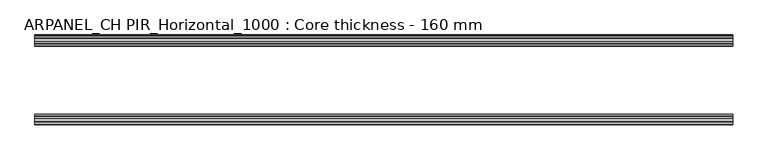
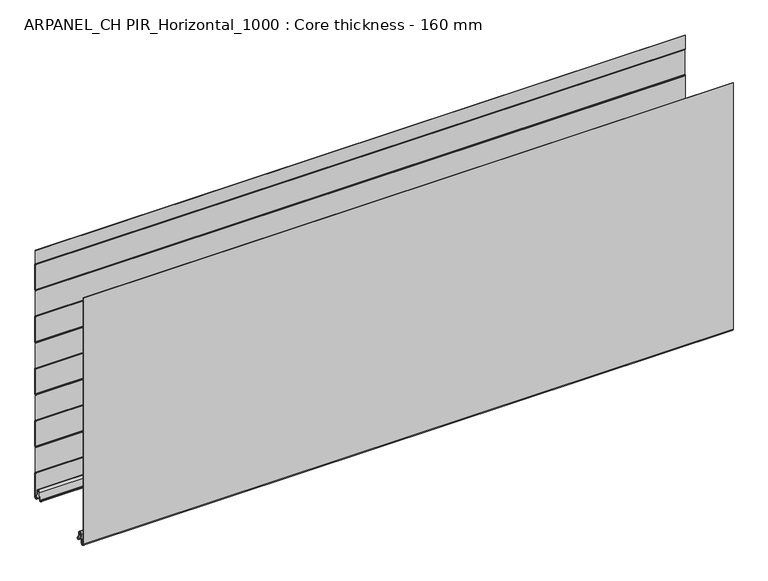
"""IFC4 building model written with IfcOpenShell, lengths in millimetres: plate geometry, ARPANEL_CH PIR_Horizontal_1000 : Core thickness - 160 mm."""

from ifc_helpers import new_model, si_unit, frame, origin, place, context, project, spatial, polyline, circle_curve, source, transform, mapped, element, save
from ifc_brep_helpers import plane_surface, cylinder_surface, revolved_surface, advanced_brep


def arpanel_ch_pir_horizontal_1000_core_thickness_160_mm_371e7742(model_context):
    return source(origin(), model_context, "Body", "AdvancedBrep", [
        advanced_brep(
        [(620.0, -1.5003051, 473.4703605), (620.0, -1.0971009, 472.0509491), (620.0, -0.8, 470.9985637), (620.0, -0.8, 420.8387805), (620.0, -1.0986697, 419.7873646), (620.0, -1.5003051, 418.3669837), (620.0, -1.5003051, 368.2072005), (620.0, -1.0971009, 366.7877891), (620.0, -0.8, 365.7354037), (620.0, -0.8, 315.5756205), (620.0, -1.0986697, 314.5242046), (620.0, -1.5003051, 313.1038237), (620.0, -1.5003051, 262.9440405), (620.0, -1.0971009, 261.5246291), (620.0, -0.8, 260.4722437), (620.0, -0.8, 210.3124605), (620.0, -1.0986697, 209.2610446), (620.0, -1.5003051, 207.8406637), (620.0, -1.5003051, 157.6808805), (620.0, -1.0971009, 156.2614691), (620.0, -0.8, 155.2090837), (620.0, -0.8, 105.0493005), (620.0, -1.0986697, 103.9978846), (620.0, -1.5003051, 102.5775037), (620.0, -1.5003051, 52.4177205), (620.0, -1.0971009, 50.9983091), (620.0, -0.8, 49.9459237), (620.0, -0.8, 3.0900682), (620.0, -5.3893281, 2.8656275), (620.0, -7.0067021, 19.3608832), (620.0, -10.8223285, 22.7899182), (620.0, -14.6379549, 19.3608832), (620.0, -16.0235822, 5.2291629), (620.0, -18.8169005, 5.365779), (620.0, -19.6169005, 5.365779), (620.0, -15.2274002, 5.1510966), (620.0, -13.8417729, 19.2828169), (620.0, -10.8223285, 21.9898782), (620.0, -7.802884, 19.2828169), (620.0, -6.18551, 2.7875612), (620.0, -0.0003051, 3.0900682), (620.0, -0.0003051, 49.9459237), (620.0, -0.4034608, 51.3652568), (620.0, -0.7003051, 52.4177205), (620.0, -0.7003051, 102.5775037), (620.0, -0.4016712, 103.6288615), (620.0, -0.0003051, 105.0493005), (620.0, -0.0003051, 155.2090837), (620.0, -0.4034608, 156.6284168), (620.0, -0.7003051, 157.6808805), (620.0, -0.7003051, 207.8406637), (620.0, -0.4016712, 208.8920215), (620.0, -0.0003051, 210.3124605), (620.0, -0.0003051, 260.4722437), (620.0, -0.4034608, 261.8915768), (620.0, -0.7003051, 262.9440405), (620.0, -0.7003051, 313.1038237), (620.0, -0.4016712, 314.1551815), (620.0, -0.0003051, 315.5756205), (620.0, -0.0003051, 365.7354037), (620.0, -0.4034608, 367.1547368), (620.0, -0.7003051, 368.2072005), (620.0, -0.7003051, 418.3669837), (620.0, -0.4016712, 419.4183415), (620.0, -0.0003051, 420.8387805), (620.0, -0.0003051, 470.9985637), (620.0, -0.4034608, 472.4178968), (620.0, -0.7003051, 473.4703605), (620.0, -0.7003051, 500.0), (620.0, -1.5003051, 500.0), (-620.0, -0.7003051, 473.4703605), (-620.0, -0.4016712, 472.4190026), (-620.0, -0.0003051, 470.9985637), (-620.0, -0.0003051, 420.8387805), (-620.0, -0.4034608, 419.4194474), (-620.0, -0.7003051, 418.3669837), (-620.0, -0.7003051, 368.2072005), (-620.0, -0.4016712, 367.1558426), (-620.0, -0.0003051, 365.7354037), (-620.0, -0.0003051, 315.5756205), (-620.0, -0.4034608, 314.1562874), (-620.0, -0.7003051, 313.1038237), (-620.0, -0.7003051, 262.9440405), (-620.0, -0.4016712, 261.8926826), (-620.0, -0.0003051, 260.4722437), (-620.0, -0.0003051, 210.3124605), (-620.0, -0.4034608, 208.8931274), (-620.0, -0.7003051, 207.8406637), (-620.0, -0.7003051, 157.6808805), (-620.0, -0.4016712, 156.6295226), (-620.0, -0.0003051, 155.2090837), (-620.0, -0.0003051, 105.0493005), (-620.0, -0.4034608, 103.6299674), (-620.0, -0.7003051, 102.5775037), (-620.0, -0.7003051, 52.4177205), (-620.0, -0.4016712, 51.3663626), (-620.0, -0.0003051, 49.9459237), (-620.0, -0.0003051, 3.0900682), (-620.0, -6.18551, 2.7875612), (-620.0, -7.802884, 19.2828169), (-620.0, -10.8223285, 21.9898782), (-620.0, -13.8417729, 19.2828169), (-620.0, -15.2274002, 5.1510966), (-620.0, -19.6169005, 5.365779), (-620.0, -18.8169005, 5.365779), (-620.0, -16.0235822, 5.2291629), (-620.0, -14.6379549, 19.3608832), (-620.0, -10.8223285, 22.7899182), (-620.0, -7.0067021, 19.3608832), (-620.0, -5.3893281, 2.8656275), (-620.0, -0.8003051, 3.0900682), (-620.0, -0.8, 49.9459237), (-620.0, -1.0986697, 50.9973395), (-620.0, -1.5003051, 52.4177205), (-620.0, -1.5003051, 102.5775037), (-620.0, -1.0971009, 103.9969151), (-620.0, -0.8, 105.0493005), (-620.0, -0.8, 155.2090837), (-620.0, -1.0986697, 156.2604995), (-620.0, -1.5003051, 157.6808805), (-620.0, -1.5003051, 207.8406637), (-620.0, -1.0971009, 209.2600751), (-620.0, -0.8, 210.3124605), (-620.0, -0.8, 260.4722437), (-620.0, -1.0986697, 261.5236595), (-620.0, -1.5003051, 262.9440405), (-620.0, -1.5003051, 313.1038237), (-620.0, -1.0971009, 314.5232351), (-620.0, -0.8, 315.5756205), (-620.0, -0.8, 365.7354037), (-620.0, -1.0986697, 366.7868195), (-620.0, -1.5003051, 368.2072005), (-620.0, -1.5003051, 418.3669837), (-620.0, -1.0971009, 419.7863951), (-620.0, -0.8, 420.8387805), (-620.0, -0.8, 470.9985637), (-620.0, -1.0986697, 472.0499795), (-620.0, -1.5003051, 473.4703605), (-620.0, -1.5003051, 500.0), (-620.0, -0.7003051, 500.0)],
        [
            (0, 1, circle_curve(frame((620.0, 1.1996949, 473.4703605), z_axis=(1.0, 0.0, 0.0), x_axis=(0.0, 0.0, -1.0)), 2.7)),
            (1, 2, circle_curve(frame((620.0, -2.8, 470.9985637), z_axis=(-1.0, 0.0, 0.0), x_axis=(0.0, 0.0, -1.0)), 2.0)),
            (2, 3),
            (3, 4, circle_curve(frame((620.0, -2.8, 420.8387805), z_axis=(-1.0, 0.0, 0.0), x_axis=(0.0, 0.0, -1.0)), 2.0)),
            (4, 5, circle_curve(frame((620.0, 1.1996949, 418.3669837), z_axis=(1.0, 0.0, 0.0), x_axis=(0.0, 0.0, -1.0)), 2.7)),
            (5, 6),
            (6, 7, circle_curve(frame((620.0, 1.1996949, 368.2072005), z_axis=(1.0, 0.0, 0.0), x_axis=(0.0, 0.0, -1.0)), 2.7)),
            (7, 8, circle_curve(frame((620.0, -2.8, 365.7354037), z_axis=(-1.0, 0.0, 0.0), x_axis=(0.0, 0.0, -1.0)), 2.0)),
            (8, 9),
            (9, 10, circle_curve(frame((620.0, -2.8, 315.5756205), z_axis=(-1.0, 0.0, 0.0), x_axis=(0.0, 0.0, -1.0)), 2.0)),
            (10, 11, circle_curve(frame((620.0, 1.1996949, 313.1038237), z_axis=(1.0, 0.0, 0.0), x_axis=(0.0, 0.0, -1.0)), 2.7)),
            (11, 12),
            (12, 13, circle_curve(frame((620.0, 1.1996949, 262.9440405), z_axis=(1.0, 0.0, 0.0), x_axis=(0.0, 0.0, -1.0)), 2.7)),
            (13, 14, circle_curve(frame((620.0, -2.8, 260.4722437), z_axis=(-1.0, 0.0, 0.0), x_axis=(0.0, 0.0, -1.0)), 2.0)),
            (14, 15),
            (15, 16, circle_curve(frame((620.0, -2.8, 210.3124605), z_axis=(-1.0, 0.0, 0.0), x_axis=(0.0, 0.0, -1.0)), 2.0)),
            (16, 17, circle_curve(frame((620.0, 1.1996949, 207.8406637), z_axis=(1.0, 0.0, 0.0), x_axis=(0.0, 0.0, -1.0)), 2.7)),
            (17, 18),
            (18, 19, circle_curve(frame((620.0, 1.1996949, 157.6808805), z_axis=(1.0, 0.0, 0.0), x_axis=(0.0, 0.0, -1.0)), 2.7)),
            (19, 20, circle_curve(frame((620.0, -2.8, 155.2090837), z_axis=(-1.0, 0.0, 0.0), x_axis=(0.0, 0.0, -1.0)), 2.0)),
            (20, 21),
            (21, 22, circle_curve(frame((620.0, -2.8, 105.0493005), z_axis=(-1.0, 0.0, 0.0), x_axis=(0.0, 0.0, -1.0)), 2.0)),
            (22, 23, circle_curve(frame((620.0, 1.1996949, 102.5775037), z_axis=(1.0, 0.0, 0.0), x_axis=(0.0, 0.0, -1.0)), 2.7)),
            (23, 24),
            (24, 25, circle_curve(frame((620.0, 1.1996949, 52.4177205), z_axis=(1.0, 0.0, 0.0), x_axis=(0.0, 0.0, -1.0)), 2.7)),
            (25, 26, circle_curve(frame((620.0, -2.8, 49.9459237), z_axis=(-1.0, 0.0, 0.0), x_axis=(0.0, 0.0, -1.0)), 2.0)),
            (26, 27),
            (27, 28, circle_curve(frame((620.0, -3.1003051, 3.0900682), z_axis=(-1.0, 0.0, 0.0), x_axis=(0.0, 0.0, -1.0)), 2.3)),
            (28, 29),
            (29, 30, circle_curve(frame((620.0, -10.7885662, 18.9900682), z_axis=(1.0, 0.0, 0.0), x_axis=(0.0, 0.0, -1.0)), 3.8)),
            (30, 31, circle_curve(frame((620.0, -10.8560907, 18.9900682), z_axis=(1.0, 0.0, 0.0), x_axis=(0.0, 0.0, -1.0)), 3.8)),
            (31, 32),
            (32, 33, circle_curve(frame((620.0, -17.4169005, 5.365779), z_axis=(-1.0, 0.0, 0.0), x_axis=(0.0, 0.0, -1.0)), 1.4)),
            (33, 34),
            (34, 35, circle_curve(frame((620.0, -17.4169005, 5.365779), z_axis=(1.0, 0.0, 0.0), x_axis=(0.0, 0.0, -1.0)), 2.2)),
            (35, 36),
            (36, 37, circle_curve(frame((620.0, -10.8560907, 18.9900682), z_axis=(-1.0, 0.0, 0.0), x_axis=(0.0, 0.0, -1.0)), 3.0)),
            (37, 38, circle_curve(frame((620.0, -10.7885662, 18.9900682), z_axis=(-1.0, 0.0, 0.0), x_axis=(0.0, 0.0, -1.0)), 3.0)),
            (38, 39),
            (39, 40, circle_curve(frame((620.0, -3.1003051, 3.0900682), z_axis=(1.0, 0.0, 0.0), x_axis=(0.0, 0.0, -1.0)), 3.1)),
            (40, 41),
            (41, 42, circle_curve(frame((620.0, -2.7003051, 49.9459237), z_axis=(1.0, 0.0, 0.0), x_axis=(0.0, 0.0, -1.0)), 2.7)),
            (42, 43, circle_curve(frame((620.0, 1.2996949, 52.4177205), z_axis=(-1.0, 0.0, 0.0), x_axis=(0.0, 0.0, -1.0)), 2.0)),
            (43, 44),
            (44, 45, circle_curve(frame((620.0, 1.2996949, 102.5775037), z_axis=(-1.0, 0.0, 0.0), x_axis=(0.0, 0.0, -1.0)), 2.0)),
            (45, 46, circle_curve(frame((620.0, -2.7003051, 105.0493005), z_axis=(1.0, 0.0, 0.0), x_axis=(0.0, 0.0, -1.0)), 2.7)),
            (46, 47),
            (47, 48, circle_curve(frame((620.0, -2.7003051, 155.2090837), z_axis=(1.0, 0.0, 0.0), x_axis=(0.0, 0.0, -1.0)), 2.7)),
            (48, 49, circle_curve(frame((620.0, 1.2996949, 157.6808805), z_axis=(-1.0, 0.0, 0.0), x_axis=(0.0, 0.0, -1.0)), 2.0)),
            (49, 50),
            (50, 51, circle_curve(frame((620.0, 1.2996949, 207.8406637), z_axis=(-1.0, 0.0, 0.0), x_axis=(0.0, 0.0, -1.0)), 2.0)),
            (51, 52, circle_curve(frame((620.0, -2.7003051, 210.3124605), z_axis=(1.0, 0.0, 0.0), x_axis=(0.0, 0.0, -1.0)), 2.7)),
            (52, 53),
            (53, 54, circle_curve(frame((620.0, -2.7003051, 260.4722437), z_axis=(1.0, 0.0, 0.0), x_axis=(0.0, 0.0, -1.0)), 2.7)),
            (54, 55, circle_curve(frame((620.0, 1.2996949, 262.9440405), z_axis=(-1.0, 0.0, 0.0), x_axis=(0.0, 0.0, -1.0)), 2.0)),
            (55, 56),
            (56, 57, circle_curve(frame((620.0, 1.2996949, 313.1038237), z_axis=(-1.0, 0.0, 0.0), x_axis=(0.0, 0.0, -1.0)), 2.0)),
            (57, 58, circle_curve(frame((620.0, -2.7003051, 315.5756205), z_axis=(1.0, 0.0, 0.0), x_axis=(0.0, 0.0, -1.0)), 2.7)),
            (58, 59),
            (59, 60, circle_curve(frame((620.0, -2.7003051, 365.7354037), z_axis=(1.0, 0.0, 0.0), x_axis=(0.0, 0.0, -1.0)), 2.7)),
            (60, 61, circle_curve(frame((620.0, 1.2996949, 368.2072005), z_axis=(-1.0, 0.0, 0.0), x_axis=(0.0, 0.0, -1.0)), 2.0)),
            (61, 62),
            (62, 63, circle_curve(frame((620.0, 1.2996949, 418.3669837), z_axis=(-1.0, 0.0, 0.0), x_axis=(0.0, 0.0, -1.0)), 2.0)),
            (63, 64, circle_curve(frame((620.0, -2.7003051, 420.8387805), z_axis=(1.0, 0.0, 0.0), x_axis=(0.0, 0.0, -1.0)), 2.7)),
            (64, 65),
            (65, 66, circle_curve(frame((620.0, -2.7003051, 470.9985637), z_axis=(1.0, 0.0, 0.0), x_axis=(0.0, 0.0, -1.0)), 2.7)),
            (66, 67, circle_curve(frame((620.0, 1.2996949, 473.4703605), z_axis=(-1.0, 0.0, 0.0), x_axis=(0.0, 0.0, -1.0)), 2.0)),
            (67, 68),
            (68, 69),
            (69, 0),
            (70, 71, circle_curve(frame((-620.0, 1.2996949, 473.4703605), z_axis=(1.0, 0.0, 0.0), x_axis=(0.0, 0.0, -1.0)), 2.0)),
            (71, 72, circle_curve(frame((-620.0, -2.7003051, 470.9985637), z_axis=(-1.0, 0.0, 0.0), x_axis=(0.0, 0.0, -1.0)), 2.7)),
            (72, 73),
            (73, 74, circle_curve(frame((-620.0, -2.7003051, 420.8387805), z_axis=(-1.0, 0.0, 0.0), x_axis=(0.0, 0.0, -1.0)), 2.7)),
            (74, 75, circle_curve(frame((-620.0, 1.2996949, 418.3669837), z_axis=(1.0, 0.0, 0.0), x_axis=(0.0, 0.0, -1.0)), 2.0)),
            (75, 76),
            (76, 77, circle_curve(frame((-620.0, 1.2996949, 368.2072005), z_axis=(1.0, 0.0, 0.0), x_axis=(0.0, 0.0, -1.0)), 2.0)),
            (77, 78, circle_curve(frame((-620.0, -2.7003051, 365.7354037), z_axis=(-1.0, 0.0, 0.0), x_axis=(0.0, 0.0, -1.0)), 2.7)),
            (78, 79),
            (79, 80, circle_curve(frame((-620.0, -2.7003051, 315.5756205), z_axis=(-1.0, 0.0, 0.0), x_axis=(0.0, 0.0, -1.0)), 2.7)),
            (80, 81, circle_curve(frame((-620.0, 1.2996949, 313.1038237), z_axis=(1.0, 0.0, 0.0), x_axis=(0.0, 0.0, -1.0)), 2.0)),
            (81, 82),
            (82, 83, circle_curve(frame((-620.0, 1.2996949, 262.9440405), z_axis=(1.0, 0.0, 0.0), x_axis=(0.0, 0.0, -1.0)), 2.0)),
            (83, 84, circle_curve(frame((-620.0, -2.7003051, 260.4722437), z_axis=(-1.0, 0.0, 0.0), x_axis=(0.0, 0.0, -1.0)), 2.7)),
            (84, 85),
            (85, 86, circle_curve(frame((-620.0, -2.7003051, 210.3124605), z_axis=(-1.0, 0.0, 0.0), x_axis=(0.0, 0.0, -1.0)), 2.7)),
            (86, 87, circle_curve(frame((-620.0, 1.2996949, 207.8406637), z_axis=(1.0, 0.0, 0.0), x_axis=(0.0, 0.0, -1.0)), 2.0)),
            (87, 88),
            (88, 89, circle_curve(frame((-620.0, 1.2996949, 157.6808805), z_axis=(1.0, 0.0, 0.0), x_axis=(0.0, 0.0, -1.0)), 2.0)),
            (89, 90, circle_curve(frame((-620.0, -2.7003051, 155.2090837), z_axis=(-1.0, 0.0, 0.0), x_axis=(0.0, 0.0, -1.0)), 2.7)),
            (90, 91),
            (91, 92, circle_curve(frame((-620.0, -2.7003051, 105.0493005), z_axis=(-1.0, 0.0, 0.0), x_axis=(0.0, 0.0, -1.0)), 2.7)),
            (92, 93, circle_curve(frame((-620.0, 1.2996949, 102.5775037), z_axis=(1.0, 0.0, 0.0), x_axis=(0.0, 0.0, -1.0)), 2.0)),
            (93, 94),
            (94, 95, circle_curve(frame((-620.0, 1.2996949, 52.4177205), z_axis=(1.0, 0.0, 0.0), x_axis=(0.0, 0.0, -1.0)), 2.0)),
            (95, 96, circle_curve(frame((-620.0, -2.7003051, 49.9459237), z_axis=(-1.0, 0.0, 0.0), x_axis=(0.0, 0.0, -1.0)), 2.7)),
            (96, 97),
            (97, 98, circle_curve(frame((-620.0, -3.1003051, 3.0900682), z_axis=(-1.0, 0.0, 0.0), x_axis=(0.0, 0.0, -1.0)), 3.1)),
            (98, 99),
            (99, 100, circle_curve(frame((-620.0, -10.7885662, 18.9900682), z_axis=(1.0, 0.0, 0.0), x_axis=(0.0, 0.0, -1.0)), 3.0)),
            (100, 101, circle_curve(frame((-620.0, -10.8560907, 18.9900682), z_axis=(1.0, 0.0, 0.0), x_axis=(0.0, 0.0, -1.0)), 3.0)),
            (101, 102),
            (102, 103, circle_curve(frame((-620.0, -17.4169005, 5.365779), z_axis=(-1.0, 0.0, 0.0), x_axis=(0.0, 0.0, -1.0)), 2.2)),
            (103, 104),
            (104, 105, circle_curve(frame((-620.0, -17.4169005, 5.365779), z_axis=(1.0, 0.0, 0.0), x_axis=(0.0, 0.0, -1.0)), 1.4)),
            (105, 106),
            (106, 107, circle_curve(frame((-620.0, -10.8560907, 18.9900682), z_axis=(-1.0, 0.0, 0.0), x_axis=(0.0, 0.0, -1.0)), 3.8)),
            (107, 108, circle_curve(frame((-620.0, -10.7885662, 18.9900682), z_axis=(-1.0, 0.0, 0.0), x_axis=(0.0, 0.0, -1.0)), 3.8)),
            (108, 109),
            (109, 110, circle_curve(frame((-620.0, -3.1003051, 3.0900682), z_axis=(1.0, 0.0, 0.0), x_axis=(0.0, 0.0, -1.0)), 2.3)),
            (110, 111),
            (111, 112, circle_curve(frame((-620.0, -2.8, 49.9459237), z_axis=(1.0, 0.0, 0.0), x_axis=(0.0, 0.0, -1.0)), 2.0)),
            (112, 113, circle_curve(frame((-620.0, 1.1996949, 52.4177205), z_axis=(-1.0, 0.0, 0.0), x_axis=(0.0, 0.0, -1.0)), 2.7)),
            (113, 114),
            (114, 115, circle_curve(frame((-620.0, 1.1996949, 102.5775037), z_axis=(-1.0, 0.0, 0.0), x_axis=(0.0, 0.0, -1.0)), 2.7)),
            (115, 116, circle_curve(frame((-620.0, -2.8, 105.0493005), z_axis=(1.0, 0.0, 0.0), x_axis=(0.0, 0.0, -1.0)), 2.0)),
            (116, 117),
            (117, 118, circle_curve(frame((-620.0, -2.8, 155.2090837), z_axis=(1.0, 0.0, 0.0), x_axis=(0.0, 0.0, -1.0)), 2.0)),
            (118, 119, circle_curve(frame((-620.0, 1.1996949, 157.6808805), z_axis=(-1.0, 0.0, 0.0), x_axis=(0.0, 0.0, -1.0)), 2.7)),
            (119, 120),
            (120, 121, circle_curve(frame((-620.0, 1.1996949, 207.8406637), z_axis=(-1.0, 0.0, 0.0), x_axis=(0.0, 0.0, -1.0)), 2.7)),
            (121, 122, circle_curve(frame((-620.0, -2.8, 210.3124605), z_axis=(1.0, 0.0, 0.0), x_axis=(0.0, 0.0, -1.0)), 2.0)),
            (122, 123),
            (123, 124, circle_curve(frame((-620.0, -2.8, 260.4722437), z_axis=(1.0, 0.0, 0.0), x_axis=(0.0, 0.0, -1.0)), 2.0)),
            (124, 125, circle_curve(frame((-620.0, 1.1996949, 262.9440405), z_axis=(-1.0, 0.0, 0.0), x_axis=(0.0, 0.0, -1.0)), 2.7)),
            (125, 126),
            (126, 127, circle_curve(frame((-620.0, 1.1996949, 313.1038237), z_axis=(-1.0, 0.0, 0.0), x_axis=(0.0, 0.0, -1.0)), 2.7)),
            (127, 128, circle_curve(frame((-620.0, -2.8, 315.5756205), z_axis=(1.0, 0.0, 0.0), x_axis=(0.0, 0.0, -1.0)), 2.0)),
            (128, 129),
            (129, 130, circle_curve(frame((-620.0, -2.8, 365.7354037), z_axis=(1.0, 0.0, 0.0), x_axis=(0.0, 0.0, -1.0)), 2.0)),
            (130, 131, circle_curve(frame((-620.0, 1.1996949, 368.2072005), z_axis=(-1.0, 0.0, 0.0), x_axis=(0.0, 0.0, -1.0)), 2.7)),
            (131, 132),
            (132, 133, circle_curve(frame((-620.0, 1.1996949, 418.3669837), z_axis=(-1.0, 0.0, 0.0), x_axis=(0.0, 0.0, -1.0)), 2.7)),
            (133, 134, circle_curve(frame((-620.0, -2.8, 420.8387805), z_axis=(1.0, 0.0, 0.0), x_axis=(0.0, 0.0, -1.0)), 2.0)),
            (134, 135),
            (135, 136, circle_curve(frame((-620.0, -2.8, 470.9985637), z_axis=(1.0, 0.0, 0.0), x_axis=(0.0, 0.0, -1.0)), 2.0)),
            (136, 137, circle_curve(frame((-620.0, 1.1996949, 473.4703605), z_axis=(-1.0, 0.0, 0.0), x_axis=(0.0, 0.0, -1.0)), 2.7)),
            (137, 138),
            (138, 139),
            (139, 70),
            (137, 0),
            (69, 138),
            (136, 1),
            (135, 2),
            (134, 3),
            (133, 4),
            (132, 5),
            (131, 6),
            (130, 7),
            (129, 8),
            (128, 9),
            (127, 10),
            (126, 11),
            (125, 12),
            (124, 13),
            (123, 14),
            (122, 15),
            (121, 16),
            (120, 17),
            (119, 18),
            (118, 19),
            (117, 20),
            (116, 21),
            (115, 22),
            (114, 23),
            (113, 24),
            (112, 25),
            (111, 26),
            (110, 27),
            (109, 28),
            (108, 29),
            (107, 30),
            (106, 31),
            (105, 32),
            (104, 33),
            (103, 34),
            (102, 35),
            (101, 36),
            (100, 37),
            (99, 38),
            (98, 39),
            (97, 40),
            (96, 41),
            (95, 42),
            (94, 43),
            (93, 44),
            (92, 45),
            (91, 46),
            (90, 47),
            (89, 48),
            (88, 49),
            (87, 50),
            (86, 51),
            (85, 52),
            (84, 53),
            (83, 54),
            (82, 55),
            (81, 56),
            (80, 57),
            (79, 58),
            (78, 59),
            (77, 60),
            (76, 61),
            (75, 62),
            (74, 63),
            (73, 64),
            (72, 65),
            (71, 66),
            (70, 67),
            (139, 68),
        ],
        [
            plane_surface(frame((620.0, 0.0, 0.0), z_axis=(1.0, 0.0, 0.0), x_axis=(0.0, -1.0, 0.0))),
            plane_surface(frame((-620.0, 0.0, 0.0), z_axis=(-1.0, 0.0, 0.0), x_axis=(0.0, -1.0, 0.0))),
            plane_surface(frame((620.0, -1.5003051, 523.6301437), z_axis=(0.0, -1.0, 0.0), x_axis=(-1.0, 0.0, 0.0))),
            cylinder_surface(frame((620.0, 1.1996949, 473.4703605), z_axis=(1.0, 0.0, 0.0), x_axis=(0.0, 0.0, -1.0)), 2.7),
            revolved_surface(polyline([(-620.0, -2.8, 468.9985637), (620.0, -2.8, 468.9985637)]), (620.0, -2.8, 470.9985637), (-1.0, 0.0, 0.0)),
            plane_surface(frame((620.0, -0.8, 470.9985637), z_axis=(0.0, -1.0, 0.0), x_axis=(-1.0, 0.0, 0.0))),
            revolved_surface(polyline([(-620.0, -2.8, 418.8387805), (620.0, -2.8, 418.8387805)]), (620.0, -2.8, 420.8387805), (-1.0, 0.0, 0.0)),
            cylinder_surface(frame((620.0, 1.1996949, 418.3669837), z_axis=(1.0, 0.0, 0.0), x_axis=(0.0, 0.0, -1.0)), 2.7),
            plane_surface(frame((620.0, -1.5003051, 418.3669837), z_axis=(0.0, -1.0, 0.0), x_axis=(-1.0, 0.0, 0.0))),
            cylinder_surface(frame((620.0, 1.1996949, 368.2072005), z_axis=(1.0, 0.0, 0.0), x_axis=(0.0, 0.0, -1.0)), 2.7),
            revolved_surface(polyline([(-620.0, -2.8, 363.7354037), (620.0, -2.8, 363.7354037)]), (620.0, -2.8, 365.7354037), (-1.0, 0.0, 0.0)),
            plane_surface(frame((620.0, -0.8, 365.7354037), z_axis=(0.0, -1.0, 0.0), x_axis=(-1.0, 0.0, 0.0))),
            revolved_surface(polyline([(-620.0, -2.8, 313.5756205), (620.0, -2.8, 313.5756205)]), (620.0, -2.8, 315.5756205), (-1.0, 0.0, 0.0)),
            cylinder_surface(frame((620.0, 1.1996949, 313.1038237), z_axis=(1.0, 0.0, 0.0), x_axis=(0.0, 0.0, -1.0)), 2.7),
            plane_surface(frame((620.0, -1.5003051, 313.1038237), z_axis=(0.0, -1.0, 0.0), x_axis=(-1.0, 0.0, 0.0))),
            cylinder_surface(frame((620.0, 1.1996949, 262.9440405), z_axis=(1.0, 0.0, 0.0), x_axis=(0.0, 0.0, -1.0)), 2.7),
            revolved_surface(polyline([(-620.0, -2.8, 258.4722437), (620.0, -2.8, 258.4722437)]), (620.0, -2.8, 260.4722437), (-1.0, 0.0, 0.0)),
            plane_surface(frame((620.0, -0.8, 260.4722437), z_axis=(0.0, -1.0, 0.0), x_axis=(-1.0, 0.0, 0.0))),
            revolved_surface(polyline([(-620.0, -2.8, 208.3124605), (620.0, -2.8, 208.3124605)]), (620.0, -2.8, 210.3124605), (-1.0, 0.0, 0.0)),
            cylinder_surface(frame((620.0, 1.1996949, 207.8406637), z_axis=(1.0, 0.0, 0.0), x_axis=(0.0, 0.0, -1.0)), 2.7),
            plane_surface(frame((620.0, -1.5003051, 207.8406637), z_axis=(0.0, -1.0, 0.0), x_axis=(-1.0, 0.0, 0.0))),
            cylinder_surface(frame((620.0, 1.1996949, 157.6808805), z_axis=(1.0, 0.0, 0.0), x_axis=(0.0, 0.0, -1.0)), 2.7),
            revolved_surface(polyline([(-620.0, -2.8, 153.2090837), (620.0, -2.8, 153.2090837)]), (620.0, -2.8, 155.2090837), (-1.0, 0.0, 0.0)),
            plane_surface(frame((620.0, -0.8, 155.2090837), z_axis=(0.0, -1.0, 0.0), x_axis=(-1.0, 0.0, 0.0))),
            revolved_surface(polyline([(-620.0, -2.8, 103.0493005), (620.0, -2.8, 103.0493005)]), (620.0, -2.8, 105.0493005), (-1.0, 0.0, 0.0)),
            cylinder_surface(frame((620.0, 1.1996949, 102.5775037), z_axis=(1.0, 0.0, 0.0), x_axis=(0.0, 0.0, -1.0)), 2.7),
            plane_surface(frame((620.0, -1.5003051, 102.5775037), z_axis=(0.0, -1.0, 0.0), x_axis=(-1.0, 0.0, 0.0))),
            cylinder_surface(frame((620.0, 1.1996949, 52.4177205), z_axis=(1.0, 0.0, 0.0), x_axis=(0.0, 0.0, -1.0)), 2.7),
            revolved_surface(polyline([(-620.0, -2.8, 47.9459237), (620.0, -2.8, 47.9459237)]), (620.0, -2.8, 49.9459237), (-1.0, 0.0, 0.0)),
            plane_surface(frame((620.0, -0.8, 49.9459237), z_axis=(0.0, -1.0, 0.0), x_axis=(-1.0, 0.0, 0.0))),
            revolved_surface(polyline([(-620.0, -3.1003051, 0.7900682000000003), (620.0, -3.1003051, 0.7900682000000003)]), (620.0, -3.1003051, 3.0900682), (-1.0, 0.0, 0.0)),
            plane_surface(frame((620.0, -5.3893281, 2.8656275), z_axis=(0.0, 0.9952273999818314, 0.09758289975914787), x_axis=(-1.0, 0.0, 0.0))),
            cylinder_surface(frame((620.0, -10.7885662, 18.9900682), z_axis=(1.0, 0.0, 0.0), x_axis=(0.0, 0.0, -1.0)), 3.8),
            cylinder_surface(frame((620.0, -10.8560907, 18.9900682), z_axis=(1.0, 0.0, 0.0), x_axis=(0.0, 0.0, -1.0)), 3.8),
            plane_surface(frame((620.0, -14.6379549, 19.3608832), z_axis=(0.0, -0.9952273999818297, 0.09758289975916531), x_axis=(-1.0, 0.0, 0.0))),
            revolved_surface(polyline([(-620.0, -17.4169005, 3.965779), (620.0, -17.4169005, 3.965779)]), (620.0, -17.4169005, 5.365779), (-1.0, 0.0, 0.0)),
            plane_surface(frame((620.0, -18.8169005, 5.365779), z_axis=(0.0, 0.0, 1.0), x_axis=(-1.0, 0.0, 0.0))),
            cylinder_surface(frame((620.0, -17.4169005, 5.365779), z_axis=(1.0, 0.0, 0.0), x_axis=(0.0, 0.0, -1.0)), 2.2),
            plane_surface(frame((620.0, -15.2274002, 5.1510966), z_axis=(0.0, 0.9952273999818296, -0.09758289975916527), x_axis=(-1.0, 0.0, 0.0))),
            revolved_surface(polyline([(-620.0, -10.8560907, 15.9900682), (620.0, -10.8560907, 15.9900682)]), (620.0, -10.8560907, 18.9900682), (-1.0, 0.0, 0.0)),
            revolved_surface(polyline([(-620.0, -10.7885662, 15.9900682), (620.0, -10.7885662, 15.9900682)]), (620.0, -10.7885662, 18.9900682), (-1.0, 0.0, 0.0)),
            plane_surface(frame((620.0, -7.802884, 19.2828169), z_axis=(0.0, -0.9952273999818314, -0.09758289975914787), x_axis=(-1.0, 0.0, 0.0))),
            cylinder_surface(frame((620.0, -3.1003051, 3.0900682), z_axis=(1.0, 0.0, 0.0), x_axis=(0.0, 0.0, -1.0)), 3.1),
            plane_surface(frame((620.0, -0.0003051, 3.0900682), z_axis=(0.0, 1.0, 0.0), x_axis=(-1.0, 0.0, 0.0))),
            cylinder_surface(frame((620.0, -2.7003051, 49.9459237), z_axis=(1.0, 0.0, 0.0), x_axis=(0.0, 0.0, -1.0)), 2.7),
            revolved_surface(polyline([(-620.0, 1.2996949, 50.4177205), (620.0, 1.2996949, 50.4177205)]), (620.0, 1.2996949, 52.4177205), (-1.0, 0.0, 0.0)),
            plane_surface(frame((620.0, -0.7003051, 52.4177205), z_axis=(0.0, 1.0, 0.0), x_axis=(-1.0, 0.0, 0.0))),
            revolved_surface(polyline([(-620.0, 1.2996949, 100.5775037), (620.0, 1.2996949, 100.5775037)]), (620.0, 1.2996949, 102.5775037), (-1.0, 0.0, 0.0)),
            cylinder_surface(frame((620.0, -2.7003051, 105.0493005), z_axis=(1.0, 0.0, 0.0), x_axis=(0.0, 0.0, -1.0)), 2.7),
            plane_surface(frame((620.0, -0.0003051, 105.0493005), z_axis=(0.0, 1.0, 0.0), x_axis=(-1.0, 0.0, 0.0))),
            cylinder_surface(frame((620.0, -2.7003051, 155.2090837), z_axis=(1.0, 0.0, 0.0), x_axis=(0.0, 0.0, -1.0)), 2.7),
            revolved_surface(polyline([(-620.0, 1.2996949, 155.6808805), (620.0, 1.2996949, 155.6808805)]), (620.0, 1.2996949, 157.6808805), (-1.0, 0.0, 0.0)),
            plane_surface(frame((620.0, -0.7003051, 157.6808805), z_axis=(0.0, 1.0, 0.0), x_axis=(-1.0, 0.0, 0.0))),
            revolved_surface(polyline([(-620.0, 1.2996949, 205.8406637), (620.0, 1.2996949, 205.8406637)]), (620.0, 1.2996949, 207.8406637), (-1.0, 0.0, 0.0)),
            cylinder_surface(frame((620.0, -2.7003051, 210.3124605), z_axis=(1.0, 0.0, 0.0), x_axis=(0.0, 0.0, -1.0)), 2.7),
            plane_surface(frame((620.0, -0.0003051, 210.3124605), z_axis=(0.0, 1.0, 0.0), x_axis=(-1.0, 0.0, 0.0))),
            cylinder_surface(frame((620.0, -2.7003051, 260.4722437), z_axis=(1.0, 0.0, 0.0), x_axis=(0.0, 0.0, -1.0)), 2.7),
            revolved_surface(polyline([(-620.0, 1.2996949, 260.9440405), (620.0, 1.2996949, 260.9440405)]), (620.0, 1.2996949, 262.9440405), (-1.0, 0.0, 0.0)),
            plane_surface(frame((620.0, -0.7003051, 262.9440405), z_axis=(0.0, 1.0, 0.0), x_axis=(-1.0, 0.0, 0.0))),
            revolved_surface(polyline([(-620.0, 1.2996949, 311.1038237), (620.0, 1.2996949, 311.1038237)]), (620.0, 1.2996949, 313.1038237), (-1.0, 0.0, 0.0)),
            cylinder_surface(frame((620.0, -2.7003051, 315.5756205), z_axis=(1.0, 0.0, 0.0), x_axis=(0.0, 0.0, -1.0)), 2.7),
            plane_surface(frame((620.0, -0.0003051, 315.5756205), z_axis=(0.0, 1.0, 0.0), x_axis=(-1.0, 0.0, 0.0))),
            cylinder_surface(frame((620.0, -2.7003051, 365.7354037), z_axis=(1.0, 0.0, 0.0), x_axis=(0.0, 0.0, -1.0)), 2.7),
            revolved_surface(polyline([(-620.0, 1.2996949, 366.2072005), (620.0, 1.2996949, 366.2072005)]), (620.0, 1.2996949, 368.2072005), (-1.0, 0.0, 0.0)),
            plane_surface(frame((620.0, -0.7003051, 368.2072005), z_axis=(0.0, 1.0, 0.0), x_axis=(-1.0, 0.0, 0.0))),
            revolved_surface(polyline([(-620.0, 1.2996949, 416.3669837), (620.0, 1.2996949, 416.3669837)]), (620.0, 1.2996949, 418.3669837), (-1.0, 0.0, 0.0)),
            cylinder_surface(frame((620.0, -2.7003051, 420.8387805), z_axis=(1.0, 0.0, 0.0), x_axis=(0.0, 0.0, -1.0)), 2.7),
            plane_surface(frame((620.0, -0.0003051, 420.8387805), z_axis=(0.0, 1.0, 0.0), x_axis=(-1.0, 0.0, 0.0))),
            cylinder_surface(frame((620.0, -2.7003051, 470.9985637), z_axis=(1.0, 0.0, 0.0), x_axis=(0.0, 0.0, -1.0)), 2.7),
            revolved_surface(polyline([(-620.0, 1.2996949, 471.4703605), (620.0, 1.2996949, 471.4703605)]), (620.0, 1.2996949, 473.4703605), (-1.0, 0.0, 0.0)),
            plane_surface(frame((620.0, -0.7003051, 473.4703605), z_axis=(0.0, 1.0, 0.0), x_axis=(-1.0, 0.0, 0.0))),
            plane_surface(frame((-620.0, 134.0533409, 500.0), z_axis=(0.0, 0.0, 1.0), x_axis=(1.0, 0.0, 0.0))),
        ],
        [
            (0, [[1, 2, 3, 4, 5, 6, 7, 8, 9, 10, 11, 12, 13, 14, 15, 16, 17, 18, 19, 20, 21, 22, 23, 24, 25, 26, 27, 28, 29, 30, 31, 32, 33, 34, 35, 36, 37, 38, 39, 40, 41, 42, 43, 44, 45, 46, 47, 48, 49, 50, 51, 52, 53, 54, 55, 56, 57, 58, 59, 60, 61, 62, 63, 64, 65, 66, 67, 68, 69, 70]]),
            (1, [[71, 72, 73, 74, 75, 76, 77, 78, 79, 80, 81, 82, 83, 84, 85, 86, 87, 88, 89, 90, 91, 92, 93, 94, 95, 96, 97, 98, 99, 100, 101, 102, 103, 104, 105, 106, 107, 108, 109, 110, 111, 112, 113, 114, 115, 116, 117, 118, 119, 120, 121, 122, 123, 124, 125, 126, 127, 128, 129, 130, 131, 132, 133, 134, 135, 136, 137, 138, 139, 140]]),
            (2, [[141, -70, 142, -138]]),
            (3, [[-1, -141, -137, 143]]),
            (4, [[-2, -143, -136, 144]]),
            (5, [[-3, -144, -135, 145]]),
            (6, [[-4, -145, -134, 146]]),
            (7, [[-5, -146, -133, 147]]),
            (8, [[-6, -147, -132, 148]]),
            (9, [[-7, -148, -131, 149]]),
            (10, [[-8, -149, -130, 150]]),
            (11, [[-9, -150, -129, 151]]),
            (12, [[-10, -151, -128, 152]]),
            (13, [[-11, -152, -127, 153]]),
            (14, [[-12, -153, -126, 154]]),
            (15, [[-13, -154, -125, 155]]),
            (16, [[-14, -155, -124, 156]]),
            (17, [[-15, -156, -123, 157]]),
            (18, [[-16, -157, -122, 158]]),
            (19, [[-17, -158, -121, 159]]),
            (20, [[-18, -159, -120, 160]]),
            (21, [[-19, -160, -119, 161]]),
            (22, [[-20, -161, -118, 162]]),
            (23, [[-21, -162, -117, 163]]),
            (24, [[-22, -163, -116, 164]]),
            (25, [[-23, -164, -115, 165]]),
            (26, [[-24, -165, -114, 166]]),
            (27, [[-25, -166, -113, 167]]),
            (28, [[-26, -167, -112, 168]]),
            (29, [[-27, -168, -111, 169]]),
            (30, [[-28, -169, -110, 170]]),
            (31, [[-29, -170, -109, 171]]),
            (32, [[-30, -171, -108, 172]]),
            (33, [[-31, -172, -107, 173]]),
            (34, [[-32, -173, -106, 174]]),
            (35, [[-33, -174, -105, 175]]),
            (36, [[-34, -175, -104, 176]]),
            (37, [[-35, -176, -103, 177]]),
            (38, [[-36, -177, -102, 178]]),
            (39, [[-37, -178, -101, 179]]),
            (40, [[-38, -179, -100, 180]]),
            (41, [[-39, -180, -99, 181]]),
            (42, [[-40, -181, -98, 182]]),
            (43, [[-41, -182, -97, 183]]),
            (44, [[-42, -183, -96, 184]]),
            (45, [[-43, -184, -95, 185]]),
            (46, [[-44, -185, -94, 186]]),
            (47, [[-45, -186, -93, 187]]),
            (48, [[-46, -187, -92, 188]]),
            (49, [[-47, -188, -91, 189]]),
            (50, [[-48, -189, -90, 190]]),
            (51, [[-49, -190, -89, 191]]),
            (52, [[-50, -191, -88, 192]]),
            (53, [[-51, -192, -87, 193]]),
            (54, [[-52, -193, -86, 194]]),
            (55, [[-53, -194, -85, 195]]),
            (56, [[-54, -195, -84, 196]]),
            (57, [[-55, -196, -83, 197]]),
            (58, [[-56, -197, -82, 198]]),
            (59, [[-57, -198, -81, 199]]),
            (60, [[-58, -199, -80, 200]]),
            (61, [[-59, -200, -79, 201]]),
            (62, [[-60, -201, -78, 202]]),
            (63, [[-61, -202, -77, 203]]),
            (64, [[-62, -203, -76, 204]]),
            (65, [[-63, -204, -75, 205]]),
            (66, [[-64, -205, -74, 206]]),
            (67, [[-65, -206, -73, 207]]),
            (68, [[-66, -207, -72, 208]]),
            (69, [[-67, -208, -71, 209]]),
            (70, [[-209, -140, 210, -68]]),
            (71, [[-69, -210, -139, -142]]),
        ],
    ),
        advanced_brep(
        [(620.0, -159.9996949, 3.0900682), (620.0, -153.81449, 2.7875612), (620.0, -152.197116, 19.2828169), (620.0, -149.1776715, 21.9898782), (620.0, -146.1582271, 19.2828169), (620.0, -144.7725998, 5.1510966), (620.0, -140.3830995, 5.365779), (620.0, -141.1830995, 5.365779), (620.0, -143.9764178, 5.2291629), (620.0, -145.3620451, 19.3608832), (620.0, -149.1776715, 22.7899182), (620.0, -152.9932979, 19.3608832), (620.0, -154.6106719, 2.8656275), (620.0, -159.1996949, 3.0900682), (620.0, -159.2, 500.0), (620.0, -159.9996949, 500.0), (-620.0, -159.1996949, 3.0900682), (-620.0, -154.6106719, 2.8656275), (-620.0, -152.9932979, 19.3608832), (-620.0, -149.1776715, 22.7899182), (-620.0, -145.3620451, 19.3608832), (-620.0, -143.9764178, 5.2291629), (-620.0, -141.1830995, 5.365779), (-620.0, -140.3830995, 5.365779), (-620.0, -144.7725998, 5.1510966), (-620.0, -146.1582271, 19.2828169), (-620.0, -149.1776715, 21.9898782), (-620.0, -152.197116, 19.2828169), (-620.0, -153.81449, 2.7875612), (-620.0, -159.9996949, 3.0900682), (-620.0, -159.9996949, 500.0), (-620.0, -159.2, 500.0)],
        [
            (0, 1, circle_curve(frame((620.0, -156.8996949, 3.0900682), z_axis=(1.0, 0.0, 0.0), x_axis=(0.0, 0.0, -1.0)), 3.1)),
            (1, 2),
            (2, 3, circle_curve(frame((620.0, -149.2114338, 18.9900682), z_axis=(-1.0, 0.0, 0.0), x_axis=(0.0, 0.0, -1.0)), 3.0)),
            (3, 4, circle_curve(frame((620.0, -149.1439093, 18.9900682), z_axis=(-1.0, 0.0, 0.0), x_axis=(0.0, 0.0, -1.0)), 3.0)),
            (4, 5),
            (5, 6, circle_curve(frame((620.0, -142.5830995, 5.365779), z_axis=(1.0, 0.0, 0.0), x_axis=(0.0, 0.0, -1.0)), 2.2)),
            (6, 7),
            (7, 8, circle_curve(frame((620.0, -142.5830995, 5.365779), z_axis=(-1.0, 0.0, 0.0), x_axis=(0.0, 0.0, -1.0)), 1.4)),
            (8, 9),
            (9, 10, circle_curve(frame((620.0, -149.1439093, 18.9900682), z_axis=(1.0, 0.0, 0.0), x_axis=(0.0, 0.0, -1.0)), 3.8)),
            (10, 11, circle_curve(frame((620.0, -149.2114338, 18.9900682), z_axis=(1.0, 0.0, 0.0), x_axis=(0.0, 0.0, -1.0)), 3.8)),
            (11, 12),
            (12, 13, circle_curve(frame((620.0, -156.8996949, 3.0900682), z_axis=(-1.0, 0.0, 0.0), x_axis=(0.0, 0.0, -1.0)), 2.3)),
            (13, 14),
            (14, 15),
            (15, 0),
            (16, 17, circle_curve(frame((-620.0, -156.8996949, 3.0900682), z_axis=(1.0, 0.0, 0.0), x_axis=(0.0, 0.0, -1.0)), 2.3)),
            (17, 18),
            (18, 19, circle_curve(frame((-620.0, -149.2114338, 18.9900682), z_axis=(-1.0, 0.0, 0.0), x_axis=(0.0, 0.0, -1.0)), 3.8)),
            (19, 20, circle_curve(frame((-620.0, -149.1439093, 18.9900682), z_axis=(-1.0, 0.0, 0.0), x_axis=(0.0, 0.0, -1.0)), 3.8)),
            (20, 21),
            (21, 22, circle_curve(frame((-620.0, -142.5830995, 5.365779), z_axis=(1.0, 0.0, 0.0), x_axis=(0.0, 0.0, -1.0)), 1.4)),
            (22, 23),
            (23, 24, circle_curve(frame((-620.0, -142.5830995, 5.365779), z_axis=(-1.0, 0.0, 0.0), x_axis=(0.0, 0.0, -1.0)), 2.2)),
            (24, 25),
            (25, 26, circle_curve(frame((-620.0, -149.1439093, 18.9900682), z_axis=(1.0, 0.0, 0.0), x_axis=(0.0, 0.0, -1.0)), 3.0)),
            (26, 27, circle_curve(frame((-620.0, -149.2114338, 18.9900682), z_axis=(1.0, 0.0, 0.0), x_axis=(0.0, 0.0, -1.0)), 3.0)),
            (27, 28),
            (28, 29, circle_curve(frame((-620.0, -156.8996949, 3.0900682), z_axis=(-1.0, 0.0, 0.0), x_axis=(0.0, 0.0, -1.0)), 3.1)),
            (29, 30),
            (30, 31),
            (31, 16),
            (13, 16),
            (31, 14),
            (12, 17),
            (11, 18),
            (10, 19),
            (9, 20),
            (8, 21),
            (7, 22),
            (6, 23),
            (5, 24),
            (4, 25),
            (3, 26),
            (2, 27),
            (1, 28),
            (0, 29),
            (15, 30),
        ],
        [
            plane_surface(frame((620.0, -160.0, 0.0), z_axis=(1.0, 0.0, 0.0), x_axis=(0.0, 1.0, 0.0))),
            plane_surface(frame((-620.0, -160.0, 0.0), z_axis=(-1.0, 0.0, 0.0), x_axis=(0.0, 1.0, 0.0))),
            plane_surface(frame((620.0, -159.2, 3.0900682), z_axis=(0.0, 1.0, 0.0), x_axis=(-1.0, 0.0, 0.0))),
            revolved_surface(polyline([(-620.0, -156.8996949, 0.7900682000000003), (620.0, -156.8996949, 0.7900682000000003)]), (620.0, -156.8996949, 3.0900682), (-1.0, 0.0, 0.0)),
            plane_surface(frame((620.0, -152.9932979, 19.3608832), z_axis=(0.0, -0.9952273999818314, 0.09758289975914787), x_axis=(-1.0, 0.0, 0.0))),
            cylinder_surface(frame((620.0, -149.2114338, 18.9900682), z_axis=(1.0, 0.0, 0.0), x_axis=(0.0, 0.0, -1.0)), 3.8),
            cylinder_surface(frame((620.0, -149.1439093, 18.9900682), z_axis=(1.0, 0.0, 0.0), x_axis=(0.0, 0.0, -1.0)), 3.8),
            plane_surface(frame((620.0, -143.9764178, 5.2291629), z_axis=(0.0, 0.9952273999818297, 0.09758289975916531), x_axis=(-1.0, 0.0, 0.0))),
            revolved_surface(polyline([(-620.0, -142.5830995, 3.965779), (620.0, -142.5830995, 3.965779)]), (620.0, -142.5830995, 5.365779), (-1.0, 0.0, 0.0)),
            plane_surface(frame((620.0, -140.3830995, 5.365779), z_axis=(0.0, 0.0, 1.0), x_axis=(-1.0, 0.0, 0.0))),
            cylinder_surface(frame((620.0, -142.5830995, 5.365779), z_axis=(1.0, 0.0, 0.0), x_axis=(0.0, 0.0, -1.0)), 2.2),
            plane_surface(frame((620.0, -146.1582271, 19.2828169), z_axis=(0.0, -0.9952273999818296, -0.09758289975916527), x_axis=(-1.0, 0.0, 0.0))),
            revolved_surface(polyline([(-620.0, -149.1439093, 15.9900682), (620.0, -149.1439093, 15.9900682)]), (620.0, -149.1439093, 18.9900682), (-1.0, 0.0, 0.0)),
            revolved_surface(polyline([(-620.0, -149.2114338, 15.9900682), (620.0, -149.2114338, 15.9900682)]), (620.0, -149.2114338, 18.9900682), (-1.0, 0.0, 0.0)),
            plane_surface(frame((620.0, -153.81449, 2.7875612), z_axis=(0.0, 0.9952273999818314, -0.09758289975914787), x_axis=(-1.0, 0.0, 0.0))),
            cylinder_surface(frame((620.0, -156.8996949, 3.0900682), z_axis=(1.0, 0.0, 0.0), x_axis=(0.0, 0.0, -1.0)), 3.1),
            plane_surface(frame((620.0, -159.9996949, 993.9000005), z_axis=(0.0, -1.0, 0.0), x_axis=(-1.0, 0.0, 0.0))),
            plane_surface(frame((-620.0, 134.0533409, 500.0), z_axis=(0.0, 0.0, 1.0), x_axis=(1.0, 0.0, 0.0))),
        ],
        [
            (0, [[1, 2, 3, 4, 5, 6, 7, 8, 9, 10, 11, 12, 13, 14, 15, 16]]),
            (1, [[17, 18, 19, 20, 21, 22, 23, 24, 25, 26, 27, 28, 29, 30, 31, 32]]),
            (2, [[33, -32, 34, -14]]),
            (3, [[-13, 35, -17, -33]]),
            (4, [[-12, 36, -18, -35]]),
            (5, [[-11, 37, -19, -36]]),
            (6, [[-10, 38, -20, -37]]),
            (7, [[-9, 39, -21, -38]]),
            (8, [[-8, 40, -22, -39]]),
            (9, [[-7, 41, -23, -40]]),
            (10, [[-6, 42, -24, -41]]),
            (11, [[-5, 43, -25, -42]]),
            (12, [[-4, 44, -26, -43]]),
            (13, [[-3, 45, -27, -44]]),
            (14, [[-2, 46, -28, -45]]),
            (15, [[-1, 47, -29, -46]]),
            (16, [[-47, -16, 48, -30]]),
            (17, [[-15, -34, -31, -48]]),
        ],
    ),
    ])


if __name__ == "__main__":
    model = new_model("IFC4")
    model_context = context("Model", 3, world=origin())
    ifc_project = project(units=[si_unit("LENGTHUNIT", "METRE", prefix="MILLI")], contexts=[model_context])
    site = spatial("IfcSite", under=ifc_project)
    building = spatial("IfcBuilding", under=site)
    placement = place(None, origin())
    arpanel_ch_pir_horizontal_1000_core_thickness_160_mm_shape = arpanel_ch_pir_horizontal_1000_core_thickness_160_mm_371e7742(model_context)
    element("IfcPlate", 1, ObjectType="ARPANEL_CH PIR_Horizontal_1000 : Core thickness - 160 mm", at=placement, inside=building, context=model_context, shape_type="MappedRepresentation", body=[
        mapped(arpanel_ch_pir_horizontal_1000_core_thickness_160_mm_shape, transform((0.0, 0.0, 0.0), x_axis=(1.0, 0.0, 0.0), y_axis=(0.0, 1.0, 0.0), z_axis=(0.0, 0.0, 1.0))),
    ])
    save(model, "model.ifc")
